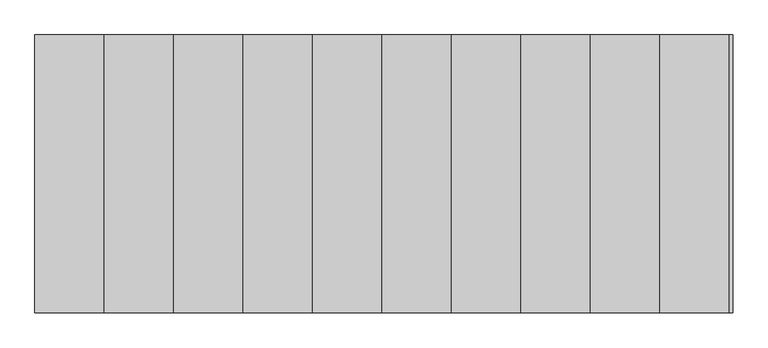
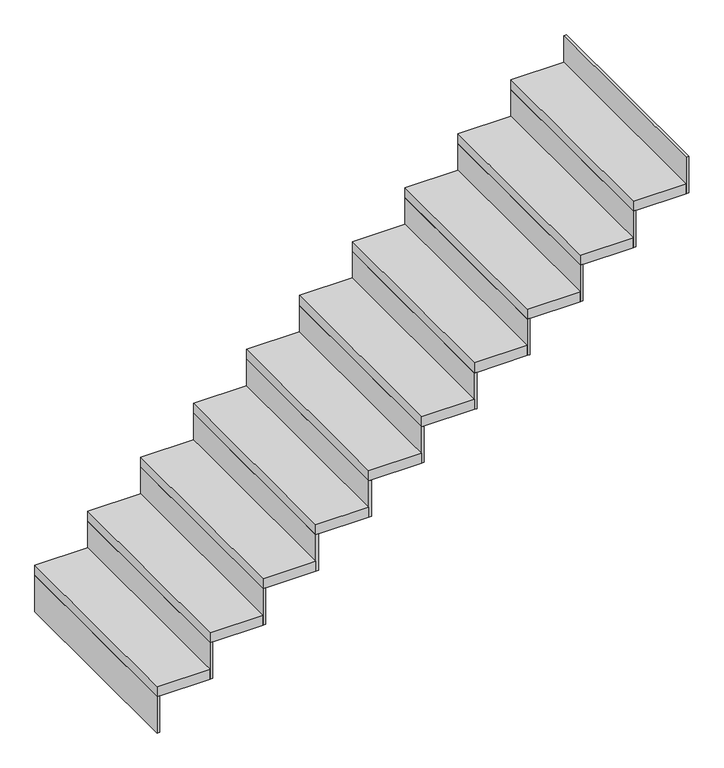
"""IFC4 building model written with IfcOpenShell, lengths in millimetres: stair flight geometry."""

import ifcopenshell
import ifcopenshell.guid

model = None  # the IFC model being written
_history = None  # IfcOwnerHistory: only IFC2X3 demands one
_inside = {}  # id of a spatial element -> (the spatial element, [elements in it])
_under = {}  # id of a project, library or spatial element -> (it, [spatial elements below it])
_declared = {}  # id of a project -> (the project, [libraries it declares])
_typed = {}  # id of a type object -> (the type object, [elements of that type])
_made_of = {}  # id of a material, layer set ... -> (it, [elements and type objects made of it])


def new_model(schema):
    """Start an empty IFC model of exactly this schema.

    Asked for "IFC4X3", IfcOpenShell would pick the latest addendum, in which some entities
    have other attributes; the version numbers below select the first issue.
    IFC2X3 requires an IfcOwnerHistory on every rooted entity: one is made here for all.
    """
    global model, _history
    if schema == "IFC4X3":
        model = ifcopenshell.file(schema_version=(4, 3, 0, 0))
    else:
        model = ifcopenshell.file(schema=schema)
    _inside.clear()
    _under.clear()
    _declared.clear()
    _typed.clear()
    _made_of.clear()
    _history = None
    if model.schema == "IFC2X3":
        org = make("IfcOrganization", Name="unknown")
        user = make(
            "IfcPersonAndOrganization",
            ThePerson=make("IfcPerson", FamilyName="unknown"),
            TheOrganization=org,
        )
        app = make(
            "IfcApplication",
            ApplicationDeveloper=org,
            Version="unknown",
            ApplicationFullName="unknown",
            ApplicationIdentifier="unknown",
        )
        _history = make(
            "IfcOwnerHistory",
            OwningUser=user,
            OwningApplication=app,
            ChangeAction="ADDED",
            CreationDate=0,
        )
    return model


def make(cls, **values):
    """One entity of the class cls with the attributes given. An attribute that is None is left unset."""
    return model.create_entity(
        cls, **{name: value for name, value in values.items() if value is not None}
    )


def rooted(cls, **values):
    """An entity with a GlobalId (a new one), such as an element, a storey or a relation."""
    return make(cls, GlobalId=ifcopenshell.guid.new(), OwnerHistory=_history, **values)


def si_unit(unit_type, name, prefix=None):
    """IfcSIUnit, for example si_unit("LENGTHUNIT", "METRE", prefix="MILLI")."""
    return make("IfcSIUnit", UnitType=unit_type, Prefix=prefix, Name=name)


def assignment(units):
    """IfcUnitAssignment: the units of a project."""
    return None if units is None else make("IfcUnitAssignment", Units=units)


def point(xyz):
    """IfcCartesianPoint."""
    return None if xyz is None else make("IfcCartesianPoint", Coordinates=xyz)


def direction(xyz):
    """IfcDirection."""
    return None if xyz is None else make("IfcDirection", DirectionRatios=xyz)


def frame(location, z_axis=None, x_axis=None):
    """IfcAxis2Placement3D, a coordinate frame: its origin and axes. An axis left out is left unset."""
    return make(
        "IfcAxis2Placement3D",
        Location=point(location),
        Axis=direction(z_axis),
        RefDirection=direction(x_axis),
    )


def origin():
    """The frame at (0, 0, 0) with its axes left unset."""
    return frame((0.0, 0.0, 0.0))


def place(relative_to, where):
    """IfcLocalPlacement: puts the frame where relative to a parent placement (None: the world)."""
    return make(
        "IfcLocalPlacement", PlacementRelTo=relative_to, RelativePlacement=where
    )


def context(
    kind, dimensions, precision=None, world=None, true_north=None, identifier=None
):
    """IfcGeometricRepresentationContext, for example the 3D "Model" context."""
    return make(
        "IfcGeometricRepresentationContext",
        ContextIdentifier=identifier,
        ContextType=kind,
        CoordinateSpaceDimension=dimensions,
        Precision=precision,
        WorldCoordinateSystem=world,
        TrueNorth=true_north,
    )


def project(units=None, contexts=None):
    """IfcProject with its units and contexts."""
    return rooted(
        "IfcProject",
        Name="project",
        RepresentationContexts=contexts,
        UnitsInContext=assignment(units),
    )


def spatial(cls, under=None, at=None, **own):
    """A site, building, storey or space (cls), placed at a placement, below another one or the project."""
    s = rooted(cls, ObjectPlacement=at, **own)
    if under is not None:
        _under.setdefault(under.id(), (under, []))[1].append(s)
    return s


def polyline(points):
    """IfcPolyline through the points."""
    return make("IfcPolyline", Points=[point(p) for p in points])


def outline(outer, holes=None, kind="AREA"):
    """IfcArbitraryClosedProfileDef: a profile drawn as a closed curve; with holes, ...WithVoids."""
    if holes is None:
        return make("IfcArbitraryClosedProfileDef", ProfileType=kind, OuterCurve=outer)
    return make(
        "IfcArbitraryProfileDefWithVoids",
        ProfileType=kind,
        OuterCurve=outer,
        InnerCurves=holes,
    )


def extrude(swept, where, along, depth):
    """IfcExtrudedAreaSolid: the profile swept, set in the frame where, extruded along a direction by depth."""
    return make(
        "IfcExtrudedAreaSolid",
        SweptArea=swept,
        Position=where,
        ExtrudedDirection=direction(along),
        Depth=depth,
    )


def shape(context_of_items, identifier, shape_type, items):
    """IfcShapeRepresentation: the items that make up one representation, for example the "Body"."""
    return make(
        "IfcShapeRepresentation",
        ContextOfItems=context_of_items,
        RepresentationIdentifier=identifier,
        RepresentationType=shape_type,
        Items=items,
    )


def source(mapping_origin, context_of_items, identifier, shape_type, items):
    """IfcRepresentationMap: a shape defined once, which mapped items show again and again."""
    return make(
        "IfcRepresentationMap",
        MappingOrigin=mapping_origin,
        MappedRepresentation=shape(context_of_items, identifier, shape_type, items),
    )


def transform(
    local_origin,
    x_axis=None,
    y_axis=None,
    z_axis=None,
    scale=None,
    scale2=None,
    scale3=None,
    uniform=True,
):
    """IfcCartesianTransformationOperator3D, or its non-uniform kind. x_axis, y_axis, z_axis: its Axis1, 2, 3."""
    if uniform:
        return make(
            "IfcCartesianTransformationOperator3D",
            Axis1=direction(x_axis),
            Axis2=direction(y_axis),
            LocalOrigin=point(local_origin),
            Scale=scale,
            Axis3=direction(z_axis),
        )
    return make(
        "IfcCartesianTransformationOperator3DnonUniform",
        Axis1=direction(x_axis),
        Axis2=direction(y_axis),
        LocalOrigin=point(local_origin),
        Scale=scale,
        Axis3=direction(z_axis),
        Scale2=scale2,
        Scale3=scale3,
    )


def mapped(mapping_source, mapping_target):
    """IfcMappedItem: shows the shape of a source again, moved by a transform."""
    return make(
        "IfcMappedItem", MappingSource=mapping_source, MappingTarget=mapping_target
    )


def made_of(thing, what):
    """Note that an element or type object is made of a material, layer set ...; save() writes the relation."""
    if what is not None:
        _made_of.setdefault(what.id(), (what, []))[1].append(thing)
    return thing


def element(
    cls,
    number,
    at=None,
    inside=None,
    cuts=None,
    type_object=None,
    material=None,
    context=None,
    identifier="Body",
    shape_type=None,
    held_by="IfcProductDefinitionShape",
    body=None,
    shapes=None,
    **own,
):
    """One element of the class cls, such as IfcWall. Its Tag is "e" and its number.

    at: its placement. inside: the storey or other place that contains it. cuts: it is an
    opening in that element (IfcRelVoidsElement). A single representation is given by context,
    identifier, shape_type and body (its items); several are given by shapes. held_by: the class
    of the entity that holds the representations. save() writes the other relations.
    """
    e = rooted(cls, Tag="e%d" % number, ObjectPlacement=at, **own)
    if body is not None:
        shapes = [shape(context, identifier, shape_type, body)]
    if shapes is not None:
        e.Representation = make(held_by, Representations=shapes)
    if inside is not None:
        _inside.setdefault(inside.id(), (inside, []))[1].append(e)
    if cuts is not None:
        rooted(
            "IfcRelVoidsElement", RelatingBuildingElement=cuts, RelatedOpeningElement=e
        )
    if type_object is not None:
        _typed.setdefault(type_object.id(), (type_object, []))[1].append(e)
    return made_of(e, material)


def aggregate(whole, parts):
    """IfcRelAggregates: a whole, such as a stair, and the parts it consists of."""
    return rooted("IfcRelAggregates", RelatingObject=whole, RelatedObjects=parts)


def save(model, path):
    """Write the relations noted so far, then the file.

    IfcRelAggregates (storeys below a building ...), IfcRelContainedInSpatialStructure (elements
    in a storey), IfcRelDefinesByType, IfcRelAssociatesMaterial and IfcRelDeclares: one each for
    every whole, place, type object, material and project.
    """
    for whole, parts in _under.values():
        aggregate(whole, parts)
    for where, things in _inside.values():
        rooted(
            "IfcRelContainedInSpatialStructure",
            RelatedElements=things,
            RelatingStructure=where,
        )
    for kind, things in _typed.values():
        rooted("IfcRelDefinesByType", RelatedObjects=things, RelatingType=kind)
    for what, things in _made_of.values():
        rooted("IfcRelAssociatesMaterial", RelatedObjects=things, RelatingMaterial=what)
    for by, libraries in _declared.values():
        rooted("IfcRelDeclares", RelatingContext=by, RelatedDefinitions=libraries)
    model.write(path)


def stair_flight_0918f545(model_context):
    return source(origin(), model_context, "Body", "SweptSolid", [
        extrude(outline(polyline([(-13907.9675457, -17848.2676251), (-13920.4675457, -17848.2676251), (-13920.4675457, -16848.2676251), (-13907.9675457, -16848.2676251), (-13907.9675457, -17848.2676251)])), frame((0.0, 0.0, 1950.0), z_axis=(0.0, 0.0, 1.0), x_axis=(1.0, 0.0, 0.0)), (0.0, 0.0, 1.0), 181.8181818),
        extrude(outline(polyline([(-13670.4675457, -16848.2676251), (-13670.4675457, -17848.2676251), (-13920.4675457, -17848.2676251), (-13920.4675457, -16848.2676251), (-13670.4675457, -16848.2676251)])), frame((0.0, 0.0, 2131.8181818), z_axis=(0.0, 0.0, 1.0), x_axis=(1.0, 0.0, 0.0)), (0.0, 0.0, 1.0), 50.0),
        extrude(outline(polyline([(-13657.9675457, -17848.2676251), (-13670.4675457, -17848.2676251), (-13670.4675457, -16848.2676251), (-13657.9675457, -16848.2676251), (-13657.9675457, -17848.2676251)])), frame((0.0, 0.0, 2131.8181818), z_axis=(0.0, 0.0, 1.0), x_axis=(1.0, 0.0, 0.0)), (0.0, 0.0, 1.0), 181.8181818),
        extrude(outline(polyline([(-13420.4675457, -16848.2676251), (-13420.4675457, -17848.2676251), (-13670.4675457, -17848.2676251), (-13670.4675457, -16848.2676251), (-13420.4675457, -16848.2676251)])), frame((0.0, 0.0, 2313.6363636), z_axis=(0.0, 0.0, 1.0), x_axis=(1.0, 0.0, 0.0)), (0.0, 0.0, 1.0), 50.0),
        extrude(outline(polyline([(-13407.9675457, -17848.2676251), (-13420.4675457, -17848.2676251), (-13420.4675457, -16848.2676251), (-13407.9675457, -16848.2676251), (-13407.9675457, -17848.2676251)])), frame((0.0, 0.0, 2313.6363636), z_axis=(0.0, 0.0, 1.0), x_axis=(1.0, 0.0, 0.0)), (0.0, 0.0, 1.0), 181.8181818),
        extrude(outline(polyline([(-13170.4675457, -16848.2676251), (-13170.4675457, -17848.2676251), (-13420.4675457, -17848.2676251), (-13420.4675457, -16848.2676251), (-13170.4675457, -16848.2676251)])), frame((0.0, 0.0, 2495.4545455), z_axis=(0.0, 0.0, 1.0), x_axis=(1.0, 0.0, 0.0)), (0.0, 0.0, 1.0), 50.0),
        extrude(outline(polyline([(-13157.9675457, -17848.2676251), (-13170.4675457, -17848.2676251), (-13170.4675457, -16848.2676251), (-13157.9675457, -16848.2676251), (-13157.9675457, -17848.2676251)])), frame((0.0, 0.0, 2495.4545455), z_axis=(0.0, 0.0, 1.0), x_axis=(1.0, 0.0, 0.0)), (0.0, 0.0, 1.0), 181.8181818),
        extrude(outline(polyline([(-12920.4675457, -16848.2676251), (-12920.4675457, -17848.2676251), (-13170.4675457, -17848.2676251), (-13170.4675457, -16848.2676251), (-12920.4675457, -16848.2676251)])), frame((0.0, 0.0, 2677.2727273), z_axis=(0.0, 0.0, 1.0), x_axis=(1.0, 0.0, 0.0)), (0.0, 0.0, 1.0), 50.0),
        extrude(outline(polyline([(-12907.9675457, -17848.2676251), (-12920.4675457, -17848.2676251), (-12920.4675457, -16848.2676251), (-12907.9675457, -16848.2676251), (-12907.9675457, -17848.2676251)])), frame((0.0, 0.0, 2677.2727273), z_axis=(0.0, 0.0, 1.0), x_axis=(1.0, 0.0, 0.0)), (0.0, 0.0, 1.0), 181.8181818),
        extrude(outline(polyline([(-12670.4675457, -16848.2676251), (-12670.4675457, -17848.2676251), (-12920.4675457, -17848.2676251), (-12920.4675457, -16848.2676251), (-12670.4675457, -16848.2676251)])), frame((0.0, 0.0, 2859.0909091), z_axis=(0.0, 0.0, 1.0), x_axis=(1.0, 0.0, 0.0)), (0.0, 0.0, 1.0), 50.0),
        extrude(outline(polyline([(-12657.9675457, -17848.2676251), (-12670.4675457, -17848.2676251), (-12670.4675457, -16848.2676251), (-12657.9675457, -16848.2676251), (-12657.9675457, -17848.2676251)])), frame((0.0, 0.0, 2859.0909091), z_axis=(0.0, 0.0, 1.0), x_axis=(1.0, 0.0, 0.0)), (0.0, 0.0, 1.0), 181.8181818),
        extrude(outline(polyline([(-12420.4675457, -16848.2676251), (-12420.4675457, -17848.2676251), (-12670.4675457, -17848.2676251), (-12670.4675457, -16848.2676251), (-12420.4675457, -16848.2676251)])), frame((0.0, 0.0, 3040.9090909), z_axis=(0.0, 0.0, 1.0), x_axis=(1.0, 0.0, 0.0)), (0.0, 0.0, 1.0), 50.0),
        extrude(outline(polyline([(-12407.9675457, -17848.2676251), (-12420.4675457, -17848.2676251), (-12420.4675457, -16848.2676251), (-12407.9675457, -16848.2676251), (-12407.9675457, -17848.2676251)])), frame((0.0, 0.0, 3040.9090909), z_axis=(0.0, 0.0, 1.0), x_axis=(1.0, 0.0, 0.0)), (0.0, 0.0, 1.0), 181.8181818),
        extrude(outline(polyline([(-12170.4675457, -16848.2676251), (-12170.4675457, -17848.2676251), (-12420.4675457, -17848.2676251), (-12420.4675457, -16848.2676251), (-12170.4675457, -16848.2676251)])), frame((0.0, 0.0, 3222.7272727), z_axis=(0.0, 0.0, 1.0), x_axis=(1.0, 0.0, 0.0)), (0.0, 0.0, 1.0), 50.0),
        extrude(outline(polyline([(-12157.9675457, -17848.2676251), (-12170.4675457, -17848.2676251), (-12170.4675457, -16848.2676251), (-12157.9675457, -16848.2676251), (-12157.9675457, -17848.2676251)])), frame((0.0, 0.0, 3222.7272727), z_axis=(0.0, 0.0, 1.0), x_axis=(1.0, 0.0, 0.0)), (0.0, 0.0, 1.0), 181.8181818),
        extrude(outline(polyline([(-11920.4675457, -16848.2676251), (-11920.4675457, -17848.2676251), (-12170.4675457, -17848.2676251), (-12170.4675457, -16848.2676251), (-11920.4675457, -16848.2676251)])), frame((0.0, 0.0, 3404.5454545), z_axis=(0.0, 0.0, 1.0), x_axis=(1.0, 0.0, 0.0)), (0.0, 0.0, 1.0), 50.0),
        extrude(outline(polyline([(-11907.9675457, -17848.2676251), (-11920.4675457, -17848.2676251), (-11920.4675457, -16848.2676251), (-11907.9675457, -16848.2676251), (-11907.9675457, -17848.2676251)])), frame((0.0, 0.0, 3404.5454545), z_axis=(0.0, 0.0, 1.0), x_axis=(1.0, 0.0, 0.0)), (0.0, 0.0, 1.0), 181.8181818),
        extrude(outline(polyline([(-11670.4675457, -16848.2676251), (-11670.4675457, -17848.2676251), (-11920.4675457, -17848.2676251), (-11920.4675457, -16848.2676251), (-11670.4675457, -16848.2676251)])), frame((0.0, 0.0, 3586.3636364), z_axis=(0.0, 0.0, 1.0), x_axis=(1.0, 0.0, 0.0)), (0.0, 0.0, 1.0), 50.0),
        extrude(outline(polyline([(-11657.9675457, -17848.2676251), (-11670.4675457, -17848.2676251), (-11670.4675457, -16848.2676251), (-11657.9675457, -16848.2676251), (-11657.9675457, -17848.2676251)])), frame((0.0, 0.0, 3586.3636364), z_axis=(0.0, 0.0, 1.0), x_axis=(1.0, 0.0, 0.0)), (0.0, 0.0, 1.0), 181.8181818),
        extrude(outline(polyline([(-11407.9675457, -17848.2676251), (-11420.4675457, -17848.2676251), (-11420.4675457, -16848.2676251), (-11407.9675457, -16848.2676251), (-11407.9675457, -17848.2676251)])), frame((0.0, 0.0, 3768.1818182), z_axis=(0.0, 0.0, 1.0), x_axis=(1.0, 0.0, 0.0)), (0.0, 0.0, 1.0), 181.8181818),
        extrude(outline(polyline([(-11420.4675457, -16848.2676251), (-11420.4675457, -17848.2676251), (-11670.4675457, -17848.2676251), (-11670.4675457, -16848.2676251), (-11420.4675457, -16848.2676251)])), frame((0.0, 0.0, 3768.1818182), z_axis=(0.0, 0.0, 1.0), x_axis=(1.0, 0.0, 0.0)), (0.0, 0.0, 1.0), 50.0),
    ])


if __name__ == "__main__":
    model = new_model("IFC4")
    model_context = context("Model", 3, world=origin())
    ifc_project = project(units=[si_unit("LENGTHUNIT", "METRE", prefix="MILLI")], contexts=[model_context])
    site = spatial("IfcSite", under=ifc_project)
    building = spatial("IfcBuilding", under=site)
    placement = place(None, origin())
    stair_flight_shape = stair_flight_0918f545(model_context)
    element("IfcStairFlight", 1, at=placement, inside=building, context=model_context, shape_type="MappedRepresentation", body=[
        mapped(stair_flight_shape, transform((0.0, 0.0, 0.0), x_axis=(1.0, 0.0, 0.0), y_axis=(0.0, 1.0, 0.0), z_axis=(0.0, 0.0, 1.0))),
    ])
    save(model, "model.ifc")
